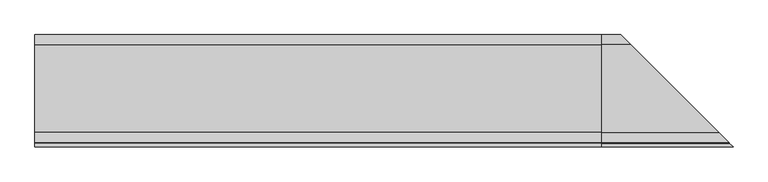
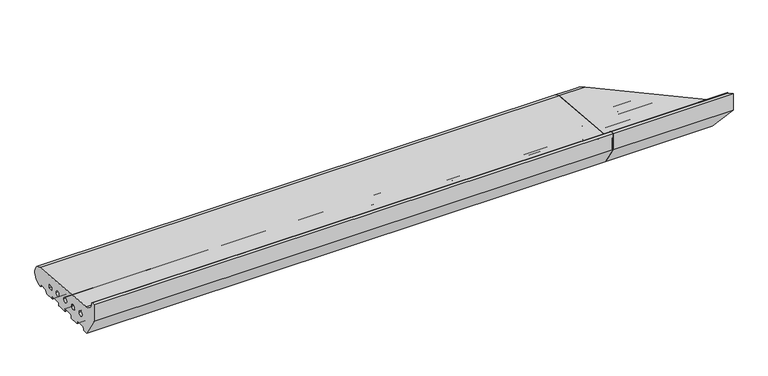
"""IFC4 building model written with IfcOpenShell, lengths in millimetres: proxy geometry."""

from ifc_helpers import new_model, si_unit, point, frame, frame_2d, origin, place, context, project, spatial, polyline, circle_curve, ellipse_curve, trimmed, segment, composite_curve, outline, extrude, source, transform, mapped, element, save
from ifc_brep_helpers import plane_surface, cylinder_surface, revolved_surface, advanced_brep


def generic_models_fb57e9e0(model_context):
    return source(origin(), model_context, "Body", "SolidModel", [
        advanced_brep(
        [(1263.0, 28.0858073, 50.4091909), (1263.0, 26.5981483, 2.5074549), (1263.0, 25.7072001, 3.0071443), (1263.0, 23.6905989, 6.5), (1263.0, 21.9585481, 7.5), (1263.0, 5.4848276, 7.5), (1263.0, 3.7527767, 6.5), (1263.0, 0.2886751, 0.5), (1263.0, -0.5773503, 0.0), (1263.0, -23.0, 0.0), (1263.0, -24.0, 1.0), (1263.0, -24.0, 5.5), (1263.0, -26.0, 7.5), (1263.0, -49.0, 7.5), (1263.0, -51.0, 5.5), (1263.0, -51.0, 1.0), (1263.0, -52.0, 0.0), (1263.0, -75.0, 0.0), (1263.0, -76.0, 1.0), (1263.0, -76.0, 5.5), (1263.0, -78.0, 7.5), (1263.0, -101.0, 7.5), (1263.0, -103.0, 5.5), (1263.0, -103.0, 1.0), (1263.0, -104.0, 0.0), (1263.0, -127.0, 0.0), (1263.0, -128.0, 1.0), (1263.0, -128.0, 5.5), (1263.0, -130.0, 7.5), (1263.0, -153.0, 7.5), (1263.0, -155.0, 5.5), (1263.0, -155.0, 1.0), (1263.0, -156.0, 0.0), (1263.0, -168.0, 0.0), (1263.0, -200.0, 50.0), (1263.0, -200.0, 91.9790981), (1263.0, -191.9246962, 91.9790981), (1263.0, -189.9303588, 90.1294924), (1263.0, -167.5409218, 67.4754175), (1263.0, -21.5, 20.9289), (1263.0, -9.5, 20.9289), (1263.0, -9.5, 28.9289), (1263.0, -21.5, 28.9289), (1263.0, -39.5, 27.333), (1263.0, -51.5, 27.333), (1263.0, -72.0, 30.0), (1263.0, -84.0, 30.0), (1263.0, -104.5, 32.667), (1263.0, -116.5, 32.667), (1263.0, -137.0, 35.334), (1263.0, -149.0, 35.334), (1522.5409218, -167.5409218, 67.4754175), (1326.9141927, 28.0858073, 50.4091909), (1544.9303588, -189.9303588, 90.1294924), (1546.9246962, -191.9246962, 91.9790981), (1555.0, -200.0, 91.9790981), (1555.0, -200.0, 50.0), (1523.0, -168.0, 0.0), (1511.0, -156.0, 0.0), (1510.0, -155.0, 1.0), (1510.0, -155.0, 5.5), (1508.0, -153.0, 7.5), (1485.0, -130.0, 7.5), (1483.0, -128.0, 5.5), (1483.0, -128.0, 1.0), (1482.0, -127.0, 0.0), (1459.0, -104.0, 0.0), (1458.0, -103.0, 1.0), (1458.0, -103.0, 5.5), (1456.0, -101.0, 7.5), (1433.0, -78.0, 7.5), (1431.0, -76.0, 5.5), (1431.0, -76.0, 1.0), (1430.0, -75.0, 0.0), (1407.0, -52.0, 0.0), (1406.0, -51.0, 1.0), (1406.0, -51.0, 5.5), (1404.0, -49.0, 7.5), (1381.0, -26.0, 7.5), (1379.0, -24.0, 5.5), (1379.0, -24.0, 1.0), (1378.0, -23.0, 0.0), (1355.5773503, -0.5773503, 0.0), (1354.7113249, 0.2886751, 0.5), (1351.2472233, 3.7527767, 6.5), (1349.5151724, 5.4848276, 7.5), (1333.0414519, 21.9585481, 7.5), (1331.3094011, 23.6905989, 6.5), (1329.2927999, 25.7072001, 3.0071443), (1328.4018517, 26.5981483, 2.5074549), (1376.5, -21.5, 28.9289), (1376.5, -21.5, 20.9289), (1364.5, -9.5, 28.9289), (1364.5, -9.5, 20.9289), (1406.5, -51.5, 27.333), (1394.5, -39.5, 27.333), (1439.0, -84.0, 30.0), (1427.0, -72.0, 30.0), (1471.5, -116.5, 32.667), (1459.5, -104.5, 32.667), (1504.0, -149.0, 35.334), (1492.0, -137.0, 35.334)],
        [
            (0, 1, circle_curve(frame((1263.0, 26.0, 26.5), z_axis=(-1.0, 0.0, 0.0), x_axis=(0.0, 0.02492284768405477, -0.9996893775885175)), 24.0)),
            (1, 2, circle_curve(frame((1263.0, 26.5732255, 3.5071443), z_axis=(-1.0, 0.0, 0.0), x_axis=(0.0, -0.8660254037844268, -0.5000000000000207)), 1.0)),
            (2, 3),
            (3, 4, circle_curve(frame((1263.0, 21.9585481, 5.5), z_axis=(1.0, 0.0, 0.0), x_axis=(0.0, 0.0, 1.0)), 2.0)),
            (4, 5),
            (5, 6, circle_curve(frame((1263.0, 5.4848276, 5.5), z_axis=(1.0, 0.0, 0.0), x_axis=(0.0, -0.8660254037844424, 0.4999999999999936)), 2.0)),
            (6, 7),
            (7, 8, circle_curve(frame((1263.0, -0.5773503, 1.0), z_axis=(-1.0, 0.0, 0.0), x_axis=(0.0, 0.0, -1.0)), 1.0)),
            (8, 9),
            (9, 10, circle_curve(frame((1263.0, -23.0, 1.0), z_axis=(-1.0, 0.0, 0.0), x_axis=(0.0, -1.0, 0.0)), 1.0)),
            (10, 11),
            (11, 12, circle_curve(frame((1263.0, -26.0, 5.5), z_axis=(1.0, 0.0, 0.0), x_axis=(0.0, 0.0, 1.0)), 2.0)),
            (12, 13),
            (13, 14, circle_curve(frame((1263.0, -49.0, 5.5), z_axis=(1.0, 0.0, 0.0), x_axis=(0.0, -1.0, 0.0)), 2.0)),
            (14, 15),
            (15, 16, circle_curve(frame((1263.0, -52.0, 1.0), z_axis=(-1.0, 0.0, 0.0), x_axis=(0.0, 0.0, -1.0)), 1.0)),
            (16, 17),
            (17, 18, circle_curve(frame((1263.0, -75.0, 1.0), z_axis=(-1.0, 0.0, 0.0), x_axis=(0.0, -1.0, 0.0)), 1.0)),
            (18, 19),
            (19, 20, circle_curve(frame((1263.0, -78.0, 5.5), z_axis=(1.0, 0.0, 0.0), x_axis=(0.0, 0.0, 1.0)), 2.0)),
            (20, 21),
            (21, 22, circle_curve(frame((1263.0, -101.0, 5.5), z_axis=(1.0, 0.0, 0.0), x_axis=(0.0, -1.0, 0.0)), 2.0)),
            (22, 23),
            (23, 24, circle_curve(frame((1263.0, -104.0, 1.0), z_axis=(-1.0, 0.0, 0.0), x_axis=(0.0, 0.0, -1.0)), 1.0)),
            (24, 25),
            (25, 26, circle_curve(frame((1263.0, -127.0, 1.0), z_axis=(-1.0, 0.0, 0.0), x_axis=(0.0, -1.0, 0.0)), 1.0)),
            (26, 27),
            (27, 28, circle_curve(frame((1263.0, -130.0, 5.5), z_axis=(1.0, 0.0, 0.0), x_axis=(0.0, 0.0, 1.0)), 2.0)),
            (28, 29),
            (29, 30, circle_curve(frame((1263.0, -153.0, 5.5), z_axis=(1.0, 0.0, 0.0), x_axis=(0.0, -1.0, 0.0)), 2.0)),
            (30, 31),
            (31, 32, circle_curve(frame((1263.0, -156.0, 1.0), z_axis=(-1.0, 0.0, 0.0), x_axis=(0.0, 1.0, 0.0)), 1.0)),
            (32, 33),
            (33, 34),
            (34, 35),
            (35, 36),
            (36, 37, circle_curve(frame((1263.0, -191.9246962, 89.9790981), z_axis=(-1.0, 0.0, 0.0), x_axis=(0.0, 0.9971686839008461, 0.07519717978391492)), 2.0)),
            (37, 38, circle_curve(frame((1263.0, -165.4032519, 91.9790985), z_axis=(1.0, 0.0, 0.0), x_axis=(0.0, -0.08690863944627705, -0.9962162859487879)), 24.5967481)),
            (38, 0),
            (39, 40),
            (40, 41),
            (41, 42),
            (42, 39),
            (43, 44, circle_curve(frame((1263.0, -45.5, 27.333), z_axis=(1.0, 0.0, 0.0), x_axis=(0.0, -1.0, 0.0)), 6.0)),
            (44, 43, circle_curve(frame((1263.0, -45.5, 27.333), z_axis=(1.0, 0.0, 0.0), x_axis=(0.0, -1.0, 0.0)), 6.0)),
            (45, 46, circle_curve(frame((1263.0, -78.0, 30.0), z_axis=(1.0, 0.0, 0.0), x_axis=(0.0, -1.0, 0.0)), 6.0)),
            (46, 45, circle_curve(frame((1263.0, -78.0, 30.0), z_axis=(1.0, 0.0, 0.0), x_axis=(0.0, -1.0, 0.0)), 6.0)),
            (47, 48, circle_curve(frame((1263.0, -110.5, 32.667), z_axis=(1.0, 0.0, 0.0), x_axis=(0.0, -1.0, 0.0)), 6.0)),
            (48, 47, circle_curve(frame((1263.0, -110.5, 32.667), z_axis=(1.0, 0.0, 0.0), x_axis=(0.0, -1.0, 0.0)), 6.0)),
            (49, 50, circle_curve(frame((1263.0, -143.0, 35.334), z_axis=(1.0, 0.0, 0.0), x_axis=(0.0, -1.0, 0.0)), 6.0)),
            (50, 49, circle_curve(frame((1263.0, -143.0, 35.334), z_axis=(1.0, 0.0, 0.0), x_axis=(0.0, -1.0, 0.0)), 6.0)),
            (38, 51),
            (51, 52),
            (52, 0),
            (37, 53),
            (53, 51, ellipse_curve(frame((1520.4032519, -165.4032519, 91.9790985), z_axis=(0.7071067811865469, 0.7071067811865481, 0.0), x_axis=(-0.7071067811865481, 0.7071067811865469, 0.0)), 34.7850548, 24.5967481)),
            (36, 54),
            (54, 53, ellipse_curve(frame((1546.9246962, -191.9246962, 89.9790981), z_axis=(-0.7071067811865469, -0.7071067811865481, 0.0), x_axis=(0.7071067811865481, -0.7071067811865469, 0.0)), 2.8284271, 2.0)),
            (35, 55),
            (55, 54),
            (34, 56),
            (56, 55),
            (33, 57),
            (57, 56),
            (32, 58),
            (58, 57),
            (31, 59),
            (59, 58, ellipse_curve(frame((1511.0, -156.0, 1.0), z_axis=(-0.7071067811865469, -0.7071067811865481, 0.0), x_axis=(0.7071067811865481, -0.7071067811865469, 0.0)), 1.4142136, 1.0)),
            (30, 60),
            (60, 59),
            (29, 61),
            (61, 60, ellipse_curve(frame((1508.0, -153.0, 5.5), z_axis=(0.7071067811865469, 0.7071067811865481, 0.0), x_axis=(-0.7071067811865481, 0.7071067811865469, 0.0)), 2.8284271, 2.0)),
            (28, 62),
            (62, 61),
            (27, 63),
            (63, 62, ellipse_curve(frame((1485.0, -130.0, 5.5), z_axis=(0.7071067811865469, 0.7071067811865481, 0.0), x_axis=(-0.7071067811865481, 0.7071067811865469, 0.0)), 2.8284271, 2.0)),
            (26, 64),
            (64, 63),
            (25, 65),
            (65, 64, ellipse_curve(frame((1482.0, -127.0, 1.0), z_axis=(-0.7071067811865469, -0.7071067811865481, 0.0), x_axis=(0.7071067811865481, -0.7071067811865469, 0.0)), 1.4142136, 1.0)),
            (24, 66),
            (66, 65),
            (23, 67),
            (67, 66, ellipse_curve(frame((1459.0, -104.0, 1.0), z_axis=(-0.7071067811865469, -0.7071067811865481, 0.0), x_axis=(0.7071067811865481, -0.7071067811865469, 0.0)), 1.4142136, 1.0)),
            (22, 68),
            (68, 67),
            (21, 69),
            (69, 68, ellipse_curve(frame((1456.0, -101.0, 5.5), z_axis=(0.7071067811865469, 0.7071067811865481, 0.0), x_axis=(-0.7071067811865481, 0.7071067811865469, 0.0)), 2.8284271, 2.0)),
            (20, 70),
            (70, 69),
            (19, 71),
            (71, 70, ellipse_curve(frame((1433.0, -78.0, 5.5), z_axis=(0.7071067811865469, 0.7071067811865481, 0.0), x_axis=(-0.7071067811865481, 0.7071067811865469, 0.0)), 2.8284271, 2.0)),
            (18, 72),
            (72, 71),
            (17, 73),
            (73, 72, ellipse_curve(frame((1430.0, -75.0, 1.0), z_axis=(-0.7071067811865469, -0.7071067811865481, 0.0), x_axis=(0.7071067811865481, -0.7071067811865469, 0.0)), 1.4142136, 1.0)),
            (16, 74),
            (74, 73),
            (15, 75),
            (75, 74, ellipse_curve(frame((1407.0, -52.0, 1.0), z_axis=(-0.7071067811865469, -0.7071067811865481, 0.0), x_axis=(0.7071067811865481, -0.7071067811865469, 0.0)), 1.4142136, 1.0)),
            (14, 76),
            (76, 75),
            (13, 77),
            (77, 76, ellipse_curve(frame((1404.0, -49.0, 5.5), z_axis=(0.7071067811865469, 0.7071067811865481, 0.0), x_axis=(-0.7071067811865481, 0.7071067811865469, 0.0)), 2.8284271, 2.0)),
            (12, 78),
            (78, 77),
            (11, 79),
            (79, 78, ellipse_curve(frame((1381.0, -26.0, 5.5), z_axis=(0.7071067811865469, 0.7071067811865481, 0.0), x_axis=(-0.7071067811865481, 0.7071067811865469, 0.0)), 2.8284271, 2.0)),
            (10, 80),
            (80, 79),
            (9, 81),
            (81, 80, ellipse_curve(frame((1378.0, -23.0, 1.0), z_axis=(-0.7071067811865469, -0.7071067811865481, 0.0), x_axis=(0.7071067811865481, -0.7071067811865469, 0.0)), 1.4142136, 1.0)),
            (8, 82),
            (82, 81),
            (7, 83),
            (83, 82, ellipse_curve(frame((1355.5773503, -0.5773503, 1.0), z_axis=(-0.7071067811865469, -0.7071067811865481, 0.0), x_axis=(0.7071067811865481, -0.7071067811865469, 0.0)), 1.4142136, 1.0)),
            (6, 84),
            (84, 83),
            (5, 85),
            (85, 84, ellipse_curve(frame((1349.5151724, 5.4848276, 5.5), z_axis=(0.7071067811865469, 0.7071067811865481, 0.0), x_axis=(-0.7071067811865481, 0.7071067811865469, 0.0)), 2.8284271, 2.0)),
            (4, 86),
            (86, 85),
            (3, 87),
            (87, 86, ellipse_curve(frame((1333.0414519, 21.9585481, 5.5), z_axis=(0.7071067811865469, 0.7071067811865481, 0.0), x_axis=(-0.7071067811865481, 0.7071067811865469, 0.0)), 2.8284271, 2.0)),
            (2, 88),
            (88, 87),
            (1, 89),
            (89, 88, ellipse_curve(frame((1328.4267745, 26.5732255, 3.5071443), z_axis=(-0.7071067811865469, -0.7071067811865481, 0.0), x_axis=(0.7071067811865481, -0.7071067811865469, 0.0)), 1.4142136, 1.0)),
            (52, 89, ellipse_curve(frame((1329.0, 26.0, 26.5), z_axis=(-0.7071067811865469, -0.7071067811865481, 0.0), x_axis=(0.7071067811865481, -0.7071067811865469, 0.0)), 33.9411255, 24.0)),
            (42, 90),
            (90, 91),
            (91, 39),
            (41, 92),
            (92, 90),
            (40, 93),
            (93, 92),
            (91, 93),
            (44, 94),
            (94, 95, ellipse_curve(frame((1400.5, -45.5, 27.333), z_axis=(0.7071067811865469, 0.7071067811865481, 0.0), x_axis=(-0.7071067811865481, 0.7071067811865469, 0.0)), 8.4852814, 6.0)),
            (95, 43),
            (95, 94, ellipse_curve(frame((1400.5, -45.5, 27.333), z_axis=(0.7071067811865469, 0.7071067811865481, 0.0), x_axis=(-0.7071067811865481, 0.7071067811865469, 0.0)), 8.4852814, 6.0)),
            (46, 96),
            (96, 97, ellipse_curve(frame((1433.0, -78.0, 30.0), z_axis=(0.7071067811865469, 0.7071067811865481, 0.0), x_axis=(-0.7071067811865481, 0.7071067811865469, 0.0)), 8.4852814, 6.0)),
            (97, 45),
            (97, 96, ellipse_curve(frame((1433.0, -78.0, 30.0), z_axis=(0.7071067811865469, 0.7071067811865481, 0.0), x_axis=(-0.7071067811865481, 0.7071067811865469, 0.0)), 8.4852814, 6.0)),
            (48, 98),
            (98, 99, ellipse_curve(frame((1465.5, -110.5, 32.667), z_axis=(0.7071067811865469, 0.7071067811865481, 0.0), x_axis=(-0.7071067811865481, 0.7071067811865469, 0.0)), 8.4852814, 6.0)),
            (99, 47),
            (99, 98, ellipse_curve(frame((1465.5, -110.5, 32.667), z_axis=(0.7071067811865469, 0.7071067811865481, 0.0), x_axis=(-0.7071067811865481, 0.7071067811865469, 0.0)), 8.4852814, 6.0)),
            (50, 100),
            (100, 101, ellipse_curve(frame((1498.0, -143.0, 35.334), z_axis=(0.7071067811865469, 0.7071067811865481, 0.0), x_axis=(-0.7071067811865481, 0.7071067811865469, 0.0)), 8.4852814, 6.0)),
            (101, 49),
            (101, 100, ellipse_curve(frame((1498.0, -143.0, 35.334), z_axis=(0.7071067811865469, 0.7071067811865481, 0.0), x_axis=(-0.7071067811865481, 0.7071067811865469, 0.0)), 8.4852814, 6.0)),
        ],
        [
            plane_surface(frame((1263.0, 0.0, 0.0), z_axis=(-1.0, 0.0, 0.0), x_axis=(0.0, 0.0, 1.0))),
            plane_surface(frame((1555.0, -167.5409218, 67.4754175), z_axis=(0.0, 0.08690863944627716, 0.9962162859487879), x_axis=(-1.0, 0.0, 0.0))),
            revolved_surface(polyline([(1263.0, -167.5409218121738, 67.4754174614001), (1545.0000000330256, -167.5409218121738, 67.4754174614001)]), (1555.0, -165.4032519, 91.9790985), (-1.0, 0.0, 0.0)),
            cylinder_surface(frame((1555.0, -191.9246962, 89.9790981), z_axis=(1.0, 0.0, 0.0), x_axis=(0.0, 0.9971686839008461, 0.07519717978391492)), 2.0),
            plane_surface(frame((1555.0, -200.0, 91.9790981), z_axis=(0.0, 0.0, 1.0), x_axis=(-1.0, 0.0, 0.0))),
            plane_surface(frame((1555.0, -200.0, 50.0), z_axis=(0.0, -1.0, 0.0), x_axis=(-1.0, 0.0, 0.0))),
            plane_surface(frame((1555.0, -168.0, 0.0), z_axis=(0.0, -0.8422714006615114, -0.5390536964233673), x_axis=(-1.0, 0.0, 0.0))),
            plane_surface(frame((1555.0, -156.0, 0.0), z_axis=(0.0, 0.0, -1.0), x_axis=(-1.0, 0.0, 0.0))),
            cylinder_surface(frame((1555.0, -156.0, 1.0), z_axis=(1.0, 0.0, 0.0), x_axis=(0.0, 1.0, 0.0)), 1.0),
            plane_surface(frame((1555.0, -155.0, 5.5), z_axis=(0.0, 1.0, 0.0), x_axis=(-1.0, 0.0, 0.0))),
            revolved_surface(polyline([(1263.0, -155.0, 5.5), (1510.0, -155.0, 5.5)]), (1555.0, -153.0, 5.5), (-1.0, 0.0, 0.0)),
            plane_surface(frame((1555.0, -130.0, 7.5), z_axis=(0.0, 0.0, -1.0), x_axis=(-1.0, 0.0, 0.0))),
            revolved_surface(polyline([(1263.0, -130.0, 7.5), (1486.9999999825018, -130.0, 7.5)]), (1555.0, -130.0, 5.5), (-1.0, 0.0, 0.0)),
            plane_surface(frame((1555.0, -128.0, 1.0), z_axis=(0.0, -1.0, 0.0), x_axis=(-1.0, 0.0, 0.0))),
            cylinder_surface(frame((1555.0, -127.0, 1.0), z_axis=(1.0, 0.0, 0.0), x_axis=(0.0, -1.0, 0.0)), 1.0),
            plane_surface(frame((1555.0, -104.0, 0.0), z_axis=(0.0, 0.0, -1.0), x_axis=(-1.0, 0.0, 0.0))),
            cylinder_surface(frame((1555.0, -104.0, 1.0), z_axis=(1.0, 0.0, 0.0), x_axis=(0.0, 0.0, -1.0)), 1.0),
            plane_surface(frame((1555.0, -103.0, 5.5), z_axis=(0.0, 1.0, 0.0), x_axis=(-1.0, 0.0, 0.0))),
            revolved_surface(polyline([(1263.0, -103.0, 5.5), (1458.0, -103.0, 5.5)]), (1555.0, -101.0, 5.5), (-1.0, 0.0, 0.0)),
            plane_surface(frame((1555.0, -78.0, 7.5), z_axis=(0.0, 0.0, -1.0), x_axis=(-1.0, 0.0, 0.0))),
            revolved_surface(polyline([(1263.0, -78.0, 7.5), (1434.9999999825018, -78.0, 7.5)]), (1555.0, -78.0, 5.5), (-1.0, 0.0, 0.0)),
            plane_surface(frame((1555.0, -76.0, 1.0), z_axis=(0.0, -1.0, 0.0), x_axis=(-1.0, 0.0, 0.0))),
            cylinder_surface(frame((1555.0, -75.0, 1.0), z_axis=(1.0, 0.0, 0.0), x_axis=(0.0, -1.0, 0.0)), 1.0),
            plane_surface(frame((1555.0, -52.0, 0.0), z_axis=(0.0, 0.0, -1.0), x_axis=(-1.0, 0.0, 0.0))),
            cylinder_surface(frame((1555.0, -52.0, 1.0), z_axis=(1.0, 0.0, 0.0), x_axis=(0.0, 0.0, -1.0)), 1.0),
            plane_surface(frame((1555.0, -51.0, 5.5), z_axis=(0.0, 1.0, 0.0), x_axis=(-1.0, 0.0, 0.0))),
            revolved_surface(polyline([(1263.0, -51.0, 5.5), (1406.0, -51.0, 5.5)]), (1555.0, -49.0, 5.5), (-1.0, 0.0, 0.0)),
            plane_surface(frame((1555.0, -26.0, 7.5), z_axis=(0.0, 0.0, -1.0), x_axis=(-1.0, 0.0, 0.0))),
            revolved_surface(polyline([(1263.0, -26.0, 7.5), (1382.9999999825018, -26.0, 7.5)]), (1555.0, -26.0, 5.5), (-1.0, 0.0, 0.0)),
            plane_surface(frame((1555.0, -24.0, 1.0), z_axis=(0.0, -1.0, 0.0), x_axis=(-1.0, 0.0, 0.0))),
            cylinder_surface(frame((1555.0, -23.0, 1.0), z_axis=(1.0, 0.0, 0.0), x_axis=(0.0, -1.0, 0.0)), 1.0),
            plane_surface(frame((1555.0, -0.5773503, 0.0), z_axis=(0.0, 0.0, -1.0), x_axis=(-1.0, 0.0, 0.0))),
            cylinder_surface(frame((1555.0, -0.5773503, 1.0), z_axis=(1.0, 0.0, 0.0), x_axis=(0.0, 0.0, -1.0)), 1.0),
            plane_surface(frame((1555.0, 3.7527767, 6.5), z_axis=(0.0, 0.8660254037844367, -0.5000000000000034), x_axis=(-1.0, 0.0, 0.0))),
            revolved_surface(polyline([(1263.0, 3.7527767924311153, 6.499999999999988), (1351.5151723825018, 3.7527767924311153, 6.499999999999988)]), (1555.0, 5.4848276, 5.5), (-1.0, 0.0, 0.0)),
            plane_surface(frame((1555.0, 21.9585481, 7.5), z_axis=(0.0, 0.0, -1.0), x_axis=(-1.0, 0.0, 0.0))),
            revolved_surface(polyline([(1263.0, 21.9585481, 7.5), (1335.0414518825019, 21.9585481, 7.5)]), (1555.0, 21.9585481, 5.5), (-1.0, 0.0, 0.0)),
            plane_surface(frame((1555.0, 25.7072001, 3.0071443), z_axis=(0.0, -0.8660254037844396, -0.4999999999999985), x_axis=(-1.0, 0.0, 0.0))),
            cylinder_surface(frame((1555.0, 26.5732255, 3.5071443), z_axis=(1.0000000000000002, 0.0, 0.0), x_axis=(0.0, -0.8660254037844268, -0.5000000000000207)), 1.0),
            cylinder_surface(frame((1555.0, 26.0, 26.5), z_axis=(1.0000000000000002, 0.0, 0.0), x_axis=(0.0, 0.02492284768405477, -0.9996893775885175)), 24.0),
            plane_surface(frame((1555.0, -21.5, 28.9289), z_axis=(0.0, 1.0, 0.0), x_axis=(-1.0, 0.0, 0.0))),
            plane_surface(frame((1555.0, -9.5, 28.9289), z_axis=(0.0, 0.0, -1.0), x_axis=(-1.0, 0.0, 0.0))),
            plane_surface(frame((1555.0, -9.5, 20.9289), z_axis=(0.0, -1.0, 0.0), x_axis=(-1.0, 0.0, 0.0))),
            plane_surface(frame((1555.0, -21.5, 20.9289), z_axis=(0.0, 0.0, 1.0), x_axis=(-1.0, 0.0, 0.0))),
            revolved_surface(polyline([(1263.0, -51.5, 27.333), (1406.500000018216, -51.5, 27.333)]), (1555.0, -45.5, 27.333), (-1.0, 0.0, 0.0)),
            revolved_surface(polyline([(1263.0, -84.0, 30.0), (1439.000000018216, -84.0, 30.0)]), (1555.0, -78.0, 30.0), (-1.0, 0.0, 0.0)),
            revolved_surface(polyline([(1263.0, -116.5, 32.667), (1471.500000018216, -116.5, 32.667)]), (1555.0, -110.5, 32.667), (-1.0, 0.0, 0.0)),
            revolved_surface(polyline([(1263.0, -149.0, 35.334), (1504.000000018216, -149.0, 35.334)]), (1555.0, -143.0, 35.334), (-1.0, 0.0, 0.0)),
            plane_surface(frame((1600.9619408, -245.9619408, 0.0), z_axis=(0.7071067811865469, 0.7071067811865481, 0.0), x_axis=(-0.7071067811865481, 0.7071067811865469, 0.0))),
        ],
        [
            (0, [[1, 2, 3, 4, 5, 6, 7, 8, 9, 10, 11, 12, 13, 14, 15, 16, 17, 18, 19, 20, 21, 22, 23, 24, 25, 26, 27, 28, 29, 30, 31, 32, 33, 34, 35, 36, 37, 38, 39], [40, 41, 42, 43], [44, 45], [46, 47], [48, 49], [50, 51]]),
            (1, [[52, 53, 54, -39]]),
            (2, [[55, 56, -52, -38]]),
            (3, [[57, 58, -55, -37]]),
            (4, [[59, 60, -57, -36]]),
            (5, [[61, 62, -59, -35]]),
            (6, [[63, 64, -61, -34]]),
            (7, [[65, 66, -63, -33]]),
            (8, [[67, 68, -65, -32]]),
            (9, [[69, 70, -67, -31]]),
            (10, [[71, 72, -69, -30]]),
            (11, [[73, 74, -71, -29]]),
            (12, [[75, 76, -73, -28]]),
            (13, [[77, 78, -75, -27]]),
            (14, [[79, 80, -77, -26]]),
            (15, [[81, 82, -79, -25]]),
            (16, [[83, 84, -81, -24]]),
            (17, [[85, 86, -83, -23]]),
            (18, [[87, 88, -85, -22]]),
            (19, [[89, 90, -87, -21]]),
            (20, [[91, 92, -89, -20]]),
            (21, [[93, 94, -91, -19]]),
            (22, [[95, 96, -93, -18]]),
            (23, [[97, 98, -95, -17]]),
            (24, [[99, 100, -97, -16]]),
            (25, [[101, 102, -99, -15]]),
            (26, [[103, 104, -101, -14]]),
            (27, [[105, 106, -103, -13]]),
            (28, [[107, 108, -105, -12]]),
            (29, [[109, 110, -107, -11]]),
            (30, [[111, 112, -109, -10]]),
            (31, [[113, 114, -111, -9]]),
            (32, [[115, 116, -113, -8]]),
            (33, [[117, 118, -115, -7]]),
            (34, [[119, 120, -117, -6]]),
            (35, [[121, 122, -119, -5]]),
            (36, [[123, 124, -121, -4]]),
            (37, [[125, 126, -123, -3]]),
            (38, [[127, 128, -125, -2]]),
            (39, [[-54, 129, -127, -1]]),
            (40, [[130, 131, 132, -43]]),
            (41, [[133, 134, -130, -42]]),
            (42, [[135, 136, -133, -41]]),
            (43, [[-132, 137, -135, -40]]),
            (44, [[138, 139, 140, -45]]),
            (44, [[-140, 141, -138, -44]]),
            (45, [[142, 143, 144, -47]]),
            (45, [[-144, 145, -142, -46]]),
            (46, [[146, 147, 148, -49]]),
            (46, [[-148, 149, -146, -48]]),
            (47, [[150, 151, 152, -51]]),
            (47, [[-152, 153, -150, -50]]),
            (48, [[-56, -58, -60, -62, -64, -66, -68, -70, -72, -74, -76, -78, -80, -82, -84, -86, -88, -90, -92, -94, -96, -98, -100, -102, -104, -106, -108, -110, -112, -114, -116, -118, -120, -122, -124, -126, -128, -129, -53], [-134, -136, -137, -131], [-141, -139], [-145, -143], [-149, -147], [-153, -151]]),
        ],
    ),
        extrude(outline(polyline([(1263.0, -200.0), (1261.0, -200.0), (1261.0, -198.0), (1263.0, -198.0), (1263.0, -200.0)])), frame((0.0, 0.0, 50.0), z_axis=(0.0, 0.0, 1.0), x_axis=(1.0, 0.0, 0.0)), (0.0, 0.0, 1.0), 30.0),
        extrude(outline(composite_curve([segment(trimmed(circle_curve(frame_2d((26.0, 26.5)), 24.0), [point((28.0858073, 50.4091909))], [point((26.5981483, 2.5074549))], False, "CARTESIAN"), True, "CONTINUOUS"), segment(trimmed(circle_curve(frame_2d((26.5732255, 3.5071443)), 1.0), [point((26.5981483, 2.5074549))], [point((25.7072001, 3.0071443))], False, "CARTESIAN"), True, "CONTINUOUS"), segment(polyline([(25.7072001, 3.0071443), (23.6905989, 6.5)]), True, "CONTINUOUS"), segment(trimmed(circle_curve(frame_2d((21.9585481, 5.5)), 2.0), [point((23.6905989, 6.5))], [point((21.9585481, 7.5))], True, "CARTESIAN"), True, "CONTINUOUS"), segment(polyline([(21.9585481, 7.5), (5.4848276, 7.5)]), True, "CONTINUOUS"), segment(trimmed(circle_curve(frame_2d((5.4848276, 5.5)), 2.0), [point((5.4848276, 7.5))], [point((3.7527767, 6.5))], True, "CARTESIAN"), True, "CONTINUOUS"), segment(polyline([(3.7527767, 6.5), (0.2886751, 0.5)]), True, "CONTINUOUS"), segment(trimmed(circle_curve(frame_2d((-0.5773503, 1.0)), 1.0), [point((0.2886751, 0.5))], [point((-0.5773503, 0.0))], False, "CARTESIAN"), True, "CONTINUOUS"), segment(polyline([(-0.5773503, 0.0), (-23.0, 0.0)]), True, "CONTINUOUS"), segment(trimmed(circle_curve(frame_2d((-23.0, 1.0)), 1.0), [point((-23.0, 0.0))], [point((-24.0, 1.0))], False, "CARTESIAN"), True, "CONTINUOUS"), segment(polyline([(-24.0, 1.0), (-24.0, 5.5)]), True, "CONTINUOUS"), segment(trimmed(circle_curve(frame_2d((-26.0, 5.5)), 2.0), [point((-24.0, 5.5))], [point((-26.0, 7.5))], True, "CARTESIAN"), True, "CONTINUOUS"), segment(polyline([(-26.0, 7.5), (-49.0, 7.5)]), True, "CONTINUOUS"), segment(trimmed(circle_curve(frame_2d((-49.0, 5.5)), 2.0), [point((-49.0, 7.5))], [point((-51.0, 5.5))], True, "CARTESIAN"), True, "CONTINUOUS"), segment(polyline([(-51.0, 5.5), (-51.0, 1.0)]), True, "CONTINUOUS"), segment(trimmed(circle_curve(frame_2d((-52.0, 1.0)), 1.0), [point((-51.0, 1.0))], [point((-52.0, 0.0))], False, "CARTESIAN"), True, "CONTINUOUS"), segment(polyline([(-52.0, 0.0), (-75.0, 0.0)]), True, "CONTINUOUS"), segment(trimmed(circle_curve(frame_2d((-75.0, 1.0)), 1.0), [point((-75.0, 0.0))], [point((-76.0, 1.0))], False, "CARTESIAN"), True, "CONTINUOUS"), segment(polyline([(-76.0, 1.0), (-76.0, 5.5)]), True, "CONTINUOUS"), segment(trimmed(circle_curve(frame_2d((-78.0, 5.5)), 2.0), [point((-76.0, 5.5))], [point((-78.0, 7.5))], True, "CARTESIAN"), True, "CONTINUOUS"), segment(polyline([(-78.0, 7.5), (-101.0, 7.5)]), True, "CONTINUOUS"), segment(trimmed(circle_curve(frame_2d((-101.0, 5.5)), 2.0), [point((-101.0, 7.5))], [point((-103.0, 5.5))], True, "CARTESIAN"), True, "CONTINUOUS"), segment(polyline([(-103.0, 5.5), (-103.0, 1.0)]), True, "CONTINUOUS"), segment(trimmed(circle_curve(frame_2d((-104.0, 1.0)), 1.0), [point((-103.0, 1.0))], [point((-104.0, 0.0))], False, "CARTESIAN"), True, "CONTINUOUS"), segment(polyline([(-104.0, 0.0), (-127.0, 0.0)]), True, "CONTINUOUS"), segment(trimmed(circle_curve(frame_2d((-127.0, 1.0)), 1.0), [point((-127.0, 0.0))], [point((-128.0, 1.0))], False, "CARTESIAN"), True, "CONTINUOUS"), segment(polyline([(-128.0, 1.0), (-128.0, 5.5)]), True, "CONTINUOUS"), segment(trimmed(circle_curve(frame_2d((-130.0, 5.5)), 2.0), [point((-128.0, 5.5))], [point((-130.0, 7.5))], True, "CARTESIAN"), True, "CONTINUOUS"), segment(polyline([(-130.0, 7.5), (-153.0, 7.5)]), True, "CONTINUOUS"), segment(trimmed(circle_curve(frame_2d((-153.0, 5.5)), 2.0), [point((-153.0, 7.5))], [point((-155.0, 5.5))], True, "CARTESIAN"), True, "CONTINUOUS"), segment(polyline([(-155.0, 5.5), (-155.0, 1.0)]), True, "CONTINUOUS"), segment(trimmed(circle_curve(frame_2d((-156.0, 1.0)), 1.0), [point((-155.0, 1.0))], [point((-156.0, 0.0))], False, "CARTESIAN"), True, "CONTINUOUS"), segment(polyline([(-156.0, 0.0), (-168.0, 0.0), (-200.0, 50.0), (-200.0, 91.9790981), (-191.9246962, 91.9790981)]), True, "CONTINUOUS"), segment(trimmed(circle_curve(frame_2d((-191.9246962, 89.9790981)), 2.0), [point((-191.9246962, 91.9790981))], [point((-189.9303588, 90.1294924))], False, "CARTESIAN"), True, "CONTINUOUS"), segment(trimmed(circle_curve(frame_2d((-165.4032519, 91.9790985)), 24.5967481), [point((-189.9303588, 90.1294924))], [point((-167.5409218, 67.4754175))], True, "CARTESIAN"), True, "CONTINUOUS"), segment(polyline([(-167.5409218, 67.4754175), (28.0858073, 50.4091909)]), True, "CONTINUOUS")], self_intersect=False), holes=[polyline([(-21.5, 20.9289), (-9.5, 20.9289), (-9.5, 28.9289), (-21.5, 28.9289), (-21.5, 20.9289)]), composite_curve([segment(trimmed(circle_curve(frame_2d((-45.5, 27.333)), 6.0), [point((-51.5, 27.333))], [point((-39.5, 27.333))], True, "CARTESIAN"), True, "CONTINUOUS"), segment(trimmed(circle_curve(frame_2d((-45.5, 27.333)), 6.0), [point((-39.5, 27.333))], [point((-51.5, 27.333))], True, "CARTESIAN"), True, "CONTINUOUS")], self_intersect=False), composite_curve([segment(trimmed(circle_curve(frame_2d((-78.0, 30.0)), 6.0), [point((-84.0, 30.0))], [point((-72.0, 30.0))], True, "CARTESIAN"), True, "CONTINUOUS"), segment(trimmed(circle_curve(frame_2d((-78.0, 30.0)), 6.0), [point((-72.0, 30.0))], [point((-84.0, 30.0))], True, "CARTESIAN"), True, "CONTINUOUS")], self_intersect=False), composite_curve([segment(trimmed(circle_curve(frame_2d((-110.5, 32.667)), 6.0), [point((-116.5, 32.667))], [point((-104.5, 32.667))], True, "CARTESIAN"), True, "CONTINUOUS"), segment(trimmed(circle_curve(frame_2d((-110.5, 32.667)), 6.0), [point((-104.5, 32.667))], [point((-116.5, 32.667))], True, "CARTESIAN"), True, "CONTINUOUS")], self_intersect=False), composite_curve([segment(trimmed(circle_curve(frame_2d((-143.0, 35.334)), 6.0), [point((-149.0, 35.334))], [point((-137.0, 35.334))], True, "CARTESIAN"), True, "CONTINUOUS"), segment(trimmed(circle_curve(frame_2d((-143.0, 35.334)), 6.0), [point((-137.0, 35.334))], [point((-149.0, 35.334))], True, "CARTESIAN"), True, "CONTINUOUS")], self_intersect=False)]), frame((0.0, 0.0, 0.0), z_axis=(1.0, 0.0, 0.0), x_axis=(0.0, 1.0, 0.0)), (0.0, 0.0, 1.0), 1263.0),
    ])


if __name__ == "__main__":
    model = new_model("IFC4")
    model_context = context("Model", 3, world=origin())
    ifc_project = project(units=[si_unit("LENGTHUNIT", "METRE", prefix="MILLI")], contexts=[model_context])
    site = spatial("IfcSite", under=ifc_project)
    building = spatial("IfcBuilding", under=site)
    placement = place(None, origin())
    generic_models_shape = generic_models_fb57e9e0(model_context)
    element("IfcBuildingElementProxy", 1, Name="Generic Models", at=placement, inside=building, context=model_context, shape_type="MappedRepresentation", body=[
        mapped(generic_models_shape, transform((0.0, 0.0, 0.0), x_axis=(1.0, 0.0, 0.0), y_axis=(0.0, 1.0, 0.0), z_axis=(0.0, 0.0, 1.0))),
    ])
    save(model, "model.ifc")
